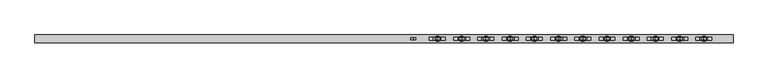
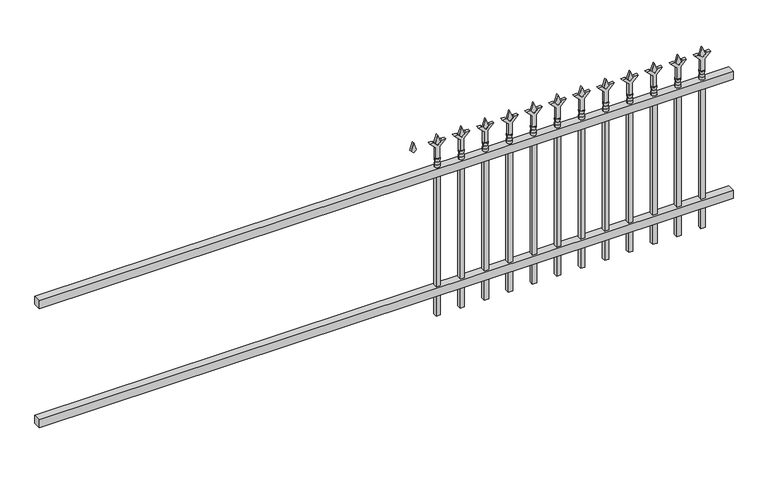
"""IFC4 building model written with IfcOpenShell, lengths in millimetres: railing geometry."""

from ifc_helpers import new_model, si_unit, frame, origin, place, context, project, spatial, polyline, circle_curve, outline, extrude, source, transform, mapped, element, save
from ifc_brep_helpers import plane_surface, cylinder_surface, revolved_surface, advanced_brep


def railing_090c4d48(model_context):
    return source(origin(), model_context, "Body", "SolidModel", [
        extrude(outline(polyline([(-91799.918087, 3004.8804826), (-91799.918087, 3039.8054826), (-88650.318087, 3039.8054826), (-88650.318087, 3004.8804826), (-91799.918087, 3004.8804826)])), frame((0.0, 0.0, 723.9), z_axis=(0.0, 0.0, 1.0), x_axis=(1.0, 0.0, 0.0)), (0.0, 0.0, 1.0), 38.1),
        extrude(outline(polyline([(-91799.918087, 3004.8804826), (-91799.918087, 3039.8054826), (-88650.318087, 3039.8054826), (-88650.318087, 3004.8804826), (-91799.918087, 3004.8804826)])), frame((0.0, 0.0, 152.4), z_axis=(0.0, 0.0, 1.0), x_axis=(1.0, 0.0, 0.0)), (0.0, 0.0, 1.0), 38.1),
        extrude(outline(polyline([(878.68125, -88879.4472536), (914.4, -88891.3535036), (878.68125, -88903.2597536), (866.775, -88891.3535036), (878.68125, -88879.4472536)])), frame((0.0, 3017.5804826, 0.0), z_axis=(0.0, 1.0, 0.0), x_axis=(0.0, 0.0, 1.0)), (0.0, 0.0, 1.0), 9.525),
        extrude(outline(polyline([(803.275, -88882.6222536), (857.5457378, -88882.6222536), (884.7355122, -88855.4324791), (884.7355122, -88873.3929914), (866.775, -88891.3535036), (884.7355122, -88909.3140159), (884.7355122, -88927.2745281), (857.5457378, -88900.0847536), (803.275, -88900.0847536), (803.275, -88882.6222536)])), frame((0.0, 3015.9929826, 0.0), z_axis=(0.0, 1.0, 0.0), x_axis=(0.0, 0.0, 1.0)), (0.0, 0.0, 1.0), 12.7),
        advanced_brep(
        [(-88879.4472536, 3022.3429826, 774.7), (-88903.2597536, 3022.3429826, 774.7), (-88903.2597536, 3022.3429826, 762.0), (-88879.4472536, 3022.3429826, 762.0), (-88881.6525855, 3022.3429826, 787.2070585), (-88901.0544218, 3022.3429826, 787.2070585), (-88879.4472536, 3022.3429826, 803.275), (-88903.2597536, 3022.3429826, 803.275), (-88891.3535036, 3022.3429826, 803.275), (-88891.3535036, 3022.3429826, 762.0)],
        [
            (0, 1, circle_curve(frame((-88891.3535036, 3022.3429826, 774.7), z_axis=(0.0, 0.0, -1.0), x_axis=(-1.0, 0.0, 0.0)), 11.90625)),
            (1, 2),
            (2, 3, circle_curve(frame((-88891.3535036, 3022.3429826, 762.0), z_axis=(0.0, 0.0, 1.0), x_axis=(-1.0, 0.0, 0.0)), 11.90625)),
            (3, 0),
            (1, 0, circle_curve(frame((-88891.3535036, 3022.3429826, 774.7), z_axis=(0.0, 0.0, -1.0), x_axis=(-1.0, 0.0, 0.0)), 11.90625)),
            (3, 2, circle_curve(frame((-88891.3535036, 3022.3429826, 762.0), z_axis=(0.0, 0.0, 1.0), x_axis=(-1.0, 0.0, 0.0)), 11.90625)),
            (4, 5, circle_curve(frame((-88891.3535036, 3022.3429826, 787.2070585), z_axis=(0.0, 0.0, -1.0), x_axis=(-1.0, 0.0, 0.0)), 9.7009181)),
            (5, 1),
            (0, 4),
            (5, 4, circle_curve(frame((-88891.3535036, 3022.3429826, 787.2070585), z_axis=(0.0, 0.0, -1.0), x_axis=(-1.0, 0.0, 0.0)), 9.7009181)),
            (6, 7, circle_curve(frame((-88891.3535036, 3022.3429826, 803.275), z_axis=(0.0, 0.0, -1.0), x_axis=(-1.0, 0.0, 0.0)), 11.90625)),
            (7, 5),
            (4, 6),
            (7, 6, circle_curve(frame((-88891.3535036, 3022.3429826, 803.275), z_axis=(0.0, 0.0, -1.0), x_axis=(-1.0, 0.0, 0.0)), 11.90625)),
            (8, 7),
            (6, 8),
            (2, 9),
            (9, 3),
        ],
        [
            cylinder_surface(frame((-88891.3535036, 3022.3429826, 762.0), z_axis=(0.0, 0.0, 1.0), x_axis=(-1.0, 0.0, 0.0)), 11.90625),
            revolved_surface(polyline([(-88903.2597536, 3022.3429826, 774.7), (-88901.0544218, 3022.3429826, 787.2070585)]), (-88891.3535036, 3022.3429826, 762.0), (0.0, 0.0, 1.0)),
            revolved_surface(polyline([(-88901.0544218, 3022.3429826, 787.2070585), (-88903.2597536, 3022.3429826, 803.275)]), (-88891.3535036, 3022.3429826, 762.0), (0.0, 0.0, 1.0)),
            plane_surface(frame((-88891.3535036, 3022.3429826, 803.275), z_axis=(0.0, 0.0, 1.0), x_axis=(-1.0, 0.0, 0.0))),
            plane_surface(frame((-88891.3535036, 3022.3429826, 762.0), z_axis=(0.0, 0.0, -1.0), x_axis=(-1.0, 0.0, 0.0))),
        ],
        [
            (0, [[1, 2, 3, 4]]),
            (0, [[5, -4, 6, -2]]),
            (1, [[7, 8, -1, 9]]),
            (1, [[10, -9, -5, -8]]),
            (2, [[11, 12, -7, 13]]),
            (2, [[14, -13, -10, -12]]),
            (3, [[15, -11, 16]]),
            (3, [[-16, -14, -15]]),
            (4, [[-3, 17, 18]]),
            (4, [[-6, -18, -17]]),
        ],
    ),
        extrude(outline(polyline([(-88900.8785036, 3031.8679826), (-88881.8285036, 3031.8679826), (-88881.8285036, 3012.8179826), (-88900.8785036, 3012.8179826), (-88900.8785036, 3031.8679826)])), frame((0.0, 0.0, 50.8), z_axis=(0.0, 0.0, 1.0), x_axis=(1.0, 0.0, 0.0)), (0.0, 0.0, 1.0), 711.2),
        extrude(outline(polyline([(878.68125, -88988.7201703), (914.4, -89000.6264203), (878.68125, -89012.5326703), (866.775, -89000.6264203), (878.68125, -88988.7201703)])), frame((0.0, 3017.5804826, 0.0), z_axis=(0.0, 1.0, 0.0), x_axis=(0.0, 0.0, 1.0)), (0.0, 0.0, 1.0), 9.525),
        extrude(outline(polyline([(803.275, -88991.8951703), (857.5457378, -88991.8951703), (884.7355122, -88964.7053958), (884.7355122, -88982.6659081), (866.775, -89000.6264203), (884.7355122, -89018.5869325), (884.7355122, -89036.5474448), (857.5457378, -89009.3576703), (803.275, -89009.3576703), (803.275, -88991.8951703)])), frame((0.0, 3015.9929826, 0.0), z_axis=(0.0, 1.0, 0.0), x_axis=(0.0, 0.0, 1.0)), (0.0, 0.0, 1.0), 12.7),
        advanced_brep(
        [(-88988.7201703, 3022.3429826, 774.7), (-89012.5326703, 3022.3429826, 774.7), (-89012.5326703, 3022.3429826, 762.0), (-88988.7201703, 3022.3429826, 762.0), (-88990.9255022, 3022.3429826, 787.2070585), (-89010.3273384, 3022.3429826, 787.2070585), (-88988.7201703, 3022.3429826, 803.275), (-89012.5326703, 3022.3429826, 803.275), (-89000.6264203, 3022.3429826, 803.275), (-89000.6264203, 3022.3429826, 762.0)],
        [
            (0, 1, circle_curve(frame((-89000.6264203, 3022.3429826, 774.7), z_axis=(0.0, 0.0, -1.0), x_axis=(-1.0, 0.0, 0.0)), 11.90625)),
            (1, 2),
            (2, 3, circle_curve(frame((-89000.6264203, 3022.3429826, 762.0), z_axis=(0.0, 0.0, 1.0), x_axis=(-1.0, 0.0, 0.0)), 11.90625)),
            (3, 0),
            (1, 0, circle_curve(frame((-89000.6264203, 3022.3429826, 774.7), z_axis=(0.0, 0.0, -1.0), x_axis=(-1.0, 0.0, 0.0)), 11.90625)),
            (3, 2, circle_curve(frame((-89000.6264203, 3022.3429826, 762.0), z_axis=(0.0, 0.0, 1.0), x_axis=(-1.0, 0.0, 0.0)), 11.90625)),
            (4, 5, circle_curve(frame((-89000.6264203, 3022.3429826, 787.2070585), z_axis=(0.0, 0.0, -1.0), x_axis=(-1.0, 0.0, 0.0)), 9.7009181)),
            (5, 1),
            (0, 4),
            (5, 4, circle_curve(frame((-89000.6264203, 3022.3429826, 787.2070585), z_axis=(0.0, 0.0, -1.0), x_axis=(-1.0, 0.0, 0.0)), 9.7009181)),
            (6, 7, circle_curve(frame((-89000.6264203, 3022.3429826, 803.275), z_axis=(0.0, 0.0, -1.0), x_axis=(-1.0, 0.0, 0.0)), 11.90625)),
            (7, 5),
            (4, 6),
            (7, 6, circle_curve(frame((-89000.6264203, 3022.3429826, 803.275), z_axis=(0.0, 0.0, -1.0), x_axis=(-1.0, 0.0, 0.0)), 11.90625)),
            (8, 7),
            (6, 8),
            (2, 9),
            (9, 3),
        ],
        [
            cylinder_surface(frame((-89000.6264203, 3022.3429826, 762.0), z_axis=(0.0, 0.0, 1.0), x_axis=(-1.0, 0.0, 0.0)), 11.90625),
            revolved_surface(polyline([(-89012.5326703, 3022.3429826, 774.7), (-89010.3273384, 3022.3429826, 787.2070585)]), (-89000.6264203, 3022.3429826, 762.0), (0.0, 0.0, 1.0)),
            revolved_surface(polyline([(-89010.3273384, 3022.3429826, 787.2070585), (-89012.5326703, 3022.3429826, 803.275)]), (-89000.6264203, 3022.3429826, 762.0), (0.0, 0.0, 1.0)),
            plane_surface(frame((-89000.6264203, 3022.3429826, 803.275), z_axis=(0.0, 0.0, 1.0), x_axis=(-1.0, 0.0, 0.0))),
            plane_surface(frame((-89000.6264203, 3022.3429826, 762.0), z_axis=(0.0, 0.0, -1.0), x_axis=(-1.0, 0.0, 0.0))),
        ],
        [
            (0, [[1, 2, 3, 4]]),
            (0, [[5, -4, 6, -2]]),
            (1, [[7, 8, -1, 9]]),
            (1, [[10, -9, -5, -8]]),
            (2, [[11, 12, -7, 13]]),
            (2, [[14, -13, -10, -12]]),
            (3, [[15, -11, 16]]),
            (3, [[-16, -14, -15]]),
            (4, [[-3, 17, 18]]),
            (4, [[-6, -18, -17]]),
        ],
    ),
        extrude(outline(polyline([(-89010.1514203, 3031.8679826), (-88991.1014203, 3031.8679826), (-88991.1014203, 3012.8179826), (-89010.1514203, 3012.8179826), (-89010.1514203, 3031.8679826)])), frame((0.0, 0.0, 50.8), z_axis=(0.0, 0.0, 1.0), x_axis=(1.0, 0.0, 0.0)), (0.0, 0.0, 1.0), 711.2),
        extrude(outline(polyline([(878.68125, -89097.993087), (914.4, -89109.899337), (878.68125, -89121.805587), (866.775, -89109.899337), (878.68125, -89097.993087)])), frame((0.0, 3017.5804826, 0.0), z_axis=(0.0, 1.0, 0.0), x_axis=(0.0, 0.0, 1.0)), (0.0, 0.0, 1.0), 9.525),
        extrude(outline(polyline([(803.275, -89101.168087), (857.5457378, -89101.168087), (884.7355122, -89073.9783125), (884.7355122, -89091.9388247), (866.775, -89109.899337), (884.7355122, -89127.8598492), (884.7355122, -89145.8203614), (857.5457378, -89118.630587), (803.275, -89118.630587), (803.275, -89101.168087)])), frame((0.0, 3015.9929826, 0.0), z_axis=(0.0, 1.0, 0.0), x_axis=(0.0, 0.0, 1.0)), (0.0, 0.0, 1.0), 12.7),
        advanced_brep(
        [(-89097.993087, 3022.3429826, 774.7), (-89121.805587, 3022.3429826, 774.7), (-89121.805587, 3022.3429826, 762.0), (-89097.993087, 3022.3429826, 762.0), (-89100.1984188, 3022.3429826, 787.2070585), (-89119.6002551, 3022.3429826, 787.2070585), (-89097.993087, 3022.3429826, 803.275), (-89121.805587, 3022.3429826, 803.275), (-89109.899337, 3022.3429826, 803.275), (-89109.899337, 3022.3429826, 762.0)],
        [
            (0, 1, circle_curve(frame((-89109.899337, 3022.3429826, 774.7), z_axis=(0.0, 0.0, -1.0), x_axis=(-1.0, 0.0, 0.0)), 11.90625)),
            (1, 2),
            (2, 3, circle_curve(frame((-89109.899337, 3022.3429826, 762.0), z_axis=(0.0, 0.0, 1.0), x_axis=(-1.0, 0.0, 0.0)), 11.90625)),
            (3, 0),
            (1, 0, circle_curve(frame((-89109.899337, 3022.3429826, 774.7), z_axis=(0.0, 0.0, -1.0), x_axis=(-1.0, 0.0, 0.0)), 11.90625)),
            (3, 2, circle_curve(frame((-89109.899337, 3022.3429826, 762.0), z_axis=(0.0, 0.0, 1.0), x_axis=(-1.0, 0.0, 0.0)), 11.90625)),
            (4, 5, circle_curve(frame((-89109.899337, 3022.3429826, 787.2070585), z_axis=(0.0, 0.0, -1.0), x_axis=(-1.0, 0.0, 0.0)), 9.7009181)),
            (5, 1),
            (0, 4),
            (5, 4, circle_curve(frame((-89109.899337, 3022.3429826, 787.2070585), z_axis=(0.0, 0.0, -1.0), x_axis=(-1.0, 0.0, 0.0)), 9.7009181)),
            (6, 7, circle_curve(frame((-89109.899337, 3022.3429826, 803.275), z_axis=(0.0, 0.0, -1.0), x_axis=(-1.0, 0.0, 0.0)), 11.90625)),
            (7, 5),
            (4, 6),
            (7, 6, circle_curve(frame((-89109.899337, 3022.3429826, 803.275), z_axis=(0.0, 0.0, -1.0), x_axis=(-1.0, 0.0, 0.0)), 11.90625)),
            (8, 7),
            (6, 8),
            (2, 9),
            (9, 3),
        ],
        [
            cylinder_surface(frame((-89109.899337, 3022.3429826, 762.0), z_axis=(0.0, 0.0, 1.0), x_axis=(-1.0, 0.0, 0.0)), 11.90625),
            revolved_surface(polyline([(-89121.805587, 3022.3429826, 774.7), (-89119.6002551, 3022.3429826, 787.2070585)]), (-89109.899337, 3022.3429826, 762.0), (0.0, 0.0, 1.0)),
            revolved_surface(polyline([(-89119.6002551, 3022.3429826, 787.2070585), (-89121.805587, 3022.3429826, 803.275)]), (-89109.899337, 3022.3429826, 762.0), (0.0, 0.0, 1.0)),
            plane_surface(frame((-89109.899337, 3022.3429826, 803.275), z_axis=(0.0, 0.0, 1.0), x_axis=(-1.0, 0.0, 0.0))),
            plane_surface(frame((-89109.899337, 3022.3429826, 762.0), z_axis=(0.0, 0.0, -1.0), x_axis=(-1.0, 0.0, 0.0))),
        ],
        [
            (0, [[1, 2, 3, 4]]),
            (0, [[5, -4, 6, -2]]),
            (1, [[7, 8, -1, 9]]),
            (1, [[10, -9, -5, -8]]),
            (2, [[11, 12, -7, 13]]),
            (2, [[14, -13, -10, -12]]),
            (3, [[15, -11, 16]]),
            (3, [[-16, -14, -15]]),
            (4, [[-3, 17, 18]]),
            (4, [[-6, -18, -17]]),
        ],
    ),
        extrude(outline(polyline([(-89119.424337, 3031.8679826), (-89100.374337, 3031.8679826), (-89100.374337, 3012.8179826), (-89119.424337, 3012.8179826), (-89119.424337, 3031.8679826)])), frame((0.0, 0.0, 50.8), z_axis=(0.0, 0.0, 1.0), x_axis=(1.0, 0.0, 0.0)), (0.0, 0.0, 1.0), 711.2),
        extrude(outline(polyline([(878.68125, -89207.2660036), (914.4, -89219.1722536), (878.68125, -89231.0785036), (866.775, -89219.1722536), (878.68125, -89207.2660036)])), frame((0.0, 3017.5804826, 0.0), z_axis=(0.0, 1.0, 0.0), x_axis=(0.0, 0.0, 1.0)), (0.0, 0.0, 1.0), 9.525),
        extrude(outline(polyline([(803.275, -89210.4410036), (857.5457378, -89210.4410036), (884.7355122, -89183.2512291), (884.7355122, -89201.2117414), (866.775, -89219.1722536), (884.7355122, -89237.1327659), (884.7355122, -89255.0932781), (857.5457378, -89227.9035036), (803.275, -89227.9035036), (803.275, -89210.4410036)])), frame((0.0, 3015.9929826, 0.0), z_axis=(0.0, 1.0, 0.0), x_axis=(0.0, 0.0, 1.0)), (0.0, 0.0, 1.0), 12.7),
        advanced_brep(
        [(-89207.2660036, 3022.3429826, 774.7), (-89231.0785036, 3022.3429826, 774.7), (-89231.0785036, 3022.3429826, 762.0), (-89207.2660036, 3022.3429826, 762.0), (-89209.4713355, 3022.3429826, 787.2070585), (-89228.8731718, 3022.3429826, 787.2070585), (-89207.2660036, 3022.3429826, 803.275), (-89231.0785036, 3022.3429826, 803.275), (-89219.1722536, 3022.3429826, 803.275), (-89219.1722536, 3022.3429826, 762.0)],
        [
            (0, 1, circle_curve(frame((-89219.1722536, 3022.3429826, 774.7), z_axis=(0.0, 0.0, -1.0), x_axis=(-1.0, 0.0, 0.0)), 11.90625)),
            (1, 2),
            (2, 3, circle_curve(frame((-89219.1722536, 3022.3429826, 762.0), z_axis=(0.0, 0.0, 1.0), x_axis=(-1.0, 0.0, 0.0)), 11.90625)),
            (3, 0),
            (1, 0, circle_curve(frame((-89219.1722536, 3022.3429826, 774.7), z_axis=(0.0, 0.0, -1.0), x_axis=(-1.0, 0.0, 0.0)), 11.90625)),
            (3, 2, circle_curve(frame((-89219.1722536, 3022.3429826, 762.0), z_axis=(0.0, 0.0, 1.0), x_axis=(-1.0, 0.0, 0.0)), 11.90625)),
            (4, 5, circle_curve(frame((-89219.1722536, 3022.3429826, 787.2070585), z_axis=(0.0, 0.0, -1.0), x_axis=(-1.0, 0.0, 0.0)), 9.7009181)),
            (5, 1),
            (0, 4),
            (5, 4, circle_curve(frame((-89219.1722536, 3022.3429826, 787.2070585), z_axis=(0.0, 0.0, -1.0), x_axis=(-1.0, 0.0, 0.0)), 9.7009181)),
            (6, 7, circle_curve(frame((-89219.1722536, 3022.3429826, 803.275), z_axis=(0.0, 0.0, -1.0), x_axis=(-1.0, 0.0, 0.0)), 11.90625)),
            (7, 5),
            (4, 6),
            (7, 6, circle_curve(frame((-89219.1722536, 3022.3429826, 803.275), z_axis=(0.0, 0.0, -1.0), x_axis=(-1.0, 0.0, 0.0)), 11.90625)),
            (8, 7),
            (6, 8),
            (2, 9),
            (9, 3),
        ],
        [
            cylinder_surface(frame((-89219.1722536, 3022.3429826, 762.0), z_axis=(0.0, 0.0, 1.0), x_axis=(-1.0, 0.0, 0.0)), 11.90625),
            revolved_surface(polyline([(-89231.0785036, 3022.3429826, 774.7), (-89228.8731718, 3022.3429826, 787.2070585)]), (-89219.1722536, 3022.3429826, 762.0), (0.0, 0.0, 1.0)),
            revolved_surface(polyline([(-89228.8731718, 3022.3429826, 787.2070585), (-89231.0785036, 3022.3429826, 803.275)]), (-89219.1722536, 3022.3429826, 762.0), (0.0, 0.0, 1.0)),
            plane_surface(frame((-89219.1722536, 3022.3429826, 803.275), z_axis=(0.0, 0.0, 1.0), x_axis=(-1.0, 0.0, 0.0))),
            plane_surface(frame((-89219.1722536, 3022.3429826, 762.0), z_axis=(0.0, 0.0, -1.0), x_axis=(-1.0, 0.0, 0.0))),
        ],
        [
            (0, [[1, 2, 3, 4]]),
            (0, [[5, -4, 6, -2]]),
            (1, [[7, 8, -1, 9]]),
            (1, [[10, -9, -5, -8]]),
            (2, [[11, 12, -7, 13]]),
            (2, [[14, -13, -10, -12]]),
            (3, [[15, -11, 16]]),
            (3, [[-16, -14, -15]]),
            (4, [[-3, 17, 18]]),
            (4, [[-6, -18, -17]]),
        ],
    ),
        extrude(outline(polyline([(-89228.6972536, 3031.8679826), (-89209.6472536, 3031.8679826), (-89209.6472536, 3012.8179826), (-89228.6972536, 3012.8179826), (-89228.6972536, 3031.8679826)])), frame((0.0, 0.0, 50.8), z_axis=(0.0, 0.0, 1.0), x_axis=(1.0, 0.0, 0.0)), (0.0, 0.0, 1.0), 711.2),
        extrude(outline(polyline([(878.68125, -89316.5389203), (914.4, -89328.4451703), (878.68125, -89340.3514203), (866.775, -89328.4451703), (878.68125, -89316.5389203)])), frame((0.0, 3017.5804826, 0.0), z_axis=(0.0, 1.0, 0.0), x_axis=(0.0, 0.0, 1.0)), (0.0, 0.0, 1.0), 9.525),
        extrude(outline(polyline([(803.275, -89319.7139203), (857.5457378, -89319.7139203), (884.7355122, -89292.5241458), (884.7355122, -89310.4846581), (866.775, -89328.4451703), (884.7355122, -89346.4056825), (884.7355122, -89364.3661948), (857.5457378, -89337.1764203), (803.275, -89337.1764203), (803.275, -89319.7139203)])), frame((0.0, 3015.9929826, 0.0), z_axis=(0.0, 1.0, 0.0), x_axis=(0.0, 0.0, 1.0)), (0.0, 0.0, 1.0), 12.7),
        advanced_brep(
        [(-89316.5389203, 3022.3429826, 774.7), (-89340.3514203, 3022.3429826, 774.7), (-89340.3514203, 3022.3429826, 762.0), (-89316.5389203, 3022.3429826, 762.0), (-89318.7442522, 3022.3429826, 787.2070585), (-89338.1460884, 3022.3429826, 787.2070585), (-89316.5389203, 3022.3429826, 803.275), (-89340.3514203, 3022.3429826, 803.275), (-89328.4451703, 3022.3429826, 803.275), (-89328.4451703, 3022.3429826, 762.0)],
        [
            (0, 1, circle_curve(frame((-89328.4451703, 3022.3429826, 774.7), z_axis=(0.0, 0.0, -1.0), x_axis=(-1.0, 0.0, 0.0)), 11.90625)),
            (1, 2),
            (2, 3, circle_curve(frame((-89328.4451703, 3022.3429826, 762.0), z_axis=(0.0, 0.0, 1.0), x_axis=(-1.0, 0.0, 0.0)), 11.90625)),
            (3, 0),
            (1, 0, circle_curve(frame((-89328.4451703, 3022.3429826, 774.7), z_axis=(0.0, 0.0, -1.0), x_axis=(-1.0, 0.0, 0.0)), 11.90625)),
            (3, 2, circle_curve(frame((-89328.4451703, 3022.3429826, 762.0), z_axis=(0.0, 0.0, 1.0), x_axis=(-1.0, 0.0, 0.0)), 11.90625)),
            (4, 5, circle_curve(frame((-89328.4451703, 3022.3429826, 787.2070585), z_axis=(0.0, 0.0, -1.0), x_axis=(-1.0, 0.0, 0.0)), 9.7009181)),
            (5, 1),
            (0, 4),
            (5, 4, circle_curve(frame((-89328.4451703, 3022.3429826, 787.2070585), z_axis=(0.0, 0.0, -1.0), x_axis=(-1.0, 0.0, 0.0)), 9.7009181)),
            (6, 7, circle_curve(frame((-89328.4451703, 3022.3429826, 803.275), z_axis=(0.0, 0.0, -1.0), x_axis=(-1.0, 0.0, 0.0)), 11.90625)),
            (7, 5),
            (4, 6),
            (7, 6, circle_curve(frame((-89328.4451703, 3022.3429826, 803.275), z_axis=(0.0, 0.0, -1.0), x_axis=(-1.0, 0.0, 0.0)), 11.90625)),
            (8, 7),
            (6, 8),
            (2, 9),
            (9, 3),
        ],
        [
            cylinder_surface(frame((-89328.4451703, 3022.3429826, 762.0), z_axis=(0.0, 0.0, 1.0), x_axis=(-1.0, 0.0, 0.0)), 11.90625),
            revolved_surface(polyline([(-89340.3514203, 3022.3429826, 774.7), (-89338.1460884, 3022.3429826, 787.2070585)]), (-89328.4451703, 3022.3429826, 762.0), (0.0, 0.0, 1.0)),
            revolved_surface(polyline([(-89338.1460884, 3022.3429826, 787.2070585), (-89340.3514203, 3022.3429826, 803.275)]), (-89328.4451703, 3022.3429826, 762.0), (0.0, 0.0, 1.0)),
            plane_surface(frame((-89328.4451703, 3022.3429826, 803.275), z_axis=(0.0, 0.0, 1.0), x_axis=(-1.0, 0.0, 0.0))),
            plane_surface(frame((-89328.4451703, 3022.3429826, 762.0), z_axis=(0.0, 0.0, -1.0), x_axis=(-1.0, 0.0, 0.0))),
        ],
        [
            (0, [[1, 2, 3, 4]]),
            (0, [[5, -4, 6, -2]]),
            (1, [[7, 8, -1, 9]]),
            (1, [[10, -9, -5, -8]]),
            (2, [[11, 12, -7, 13]]),
            (2, [[14, -13, -10, -12]]),
            (3, [[15, -11, 16]]),
            (3, [[-16, -14, -15]]),
            (4, [[-3, 17, 18]]),
            (4, [[-6, -18, -17]]),
        ],
    ),
        extrude(outline(polyline([(-89337.9701703, 3031.8679826), (-89318.9201703, 3031.8679826), (-89318.9201703, 3012.8179826), (-89337.9701703, 3012.8179826), (-89337.9701703, 3031.8679826)])), frame((0.0, 0.0, 50.8), z_axis=(0.0, 0.0, 1.0), x_axis=(1.0, 0.0, 0.0)), (0.0, 0.0, 1.0), 711.2),
        extrude(outline(polyline([(878.68125, -89425.811837), (914.4, -89437.718087), (878.68125, -89449.624337), (866.775, -89437.718087), (878.68125, -89425.811837)])), frame((0.0, 3017.5804826, 0.0), z_axis=(0.0, 1.0, 0.0), x_axis=(0.0, 0.0, 1.0)), (0.0, 0.0, 1.0), 9.525),
        extrude(outline(polyline([(803.275, -89428.986837), (857.5457378, -89428.986837), (884.7355122, -89401.7970625), (884.7355122, -89419.7575747), (866.775, -89437.718087), (884.7355122, -89455.6785992), (884.7355122, -89473.6391114), (857.5457378, -89446.449337), (803.275, -89446.449337), (803.275, -89428.986837)])), frame((0.0, 3015.9929826, 0.0), z_axis=(0.0, 1.0, 0.0), x_axis=(0.0, 0.0, 1.0)), (0.0, 0.0, 1.0), 12.7),
        advanced_brep(
        [(-89425.811837, 3022.3429826, 774.7), (-89449.624337, 3022.3429826, 774.7), (-89449.624337, 3022.3429826, 762.0), (-89425.811837, 3022.3429826, 762.0), (-89428.0171688, 3022.3429826, 787.2070585), (-89447.4190051, 3022.3429826, 787.2070585), (-89425.811837, 3022.3429826, 803.275), (-89449.624337, 3022.3429826, 803.275), (-89437.718087, 3022.3429826, 803.275), (-89437.718087, 3022.3429826, 762.0)],
        [
            (0, 1, circle_curve(frame((-89437.718087, 3022.3429826, 774.7), z_axis=(0.0, 0.0, -1.0), x_axis=(-1.0, 0.0, 0.0)), 11.90625)),
            (1, 2),
            (2, 3, circle_curve(frame((-89437.718087, 3022.3429826, 762.0), z_axis=(0.0, 0.0, 1.0), x_axis=(-1.0, 0.0, 0.0)), 11.90625)),
            (3, 0),
            (1, 0, circle_curve(frame((-89437.718087, 3022.3429826, 774.7), z_axis=(0.0, 0.0, -1.0), x_axis=(-1.0, 0.0, 0.0)), 11.90625)),
            (3, 2, circle_curve(frame((-89437.718087, 3022.3429826, 762.0), z_axis=(0.0, 0.0, 1.0), x_axis=(-1.0, 0.0, 0.0)), 11.90625)),
            (4, 5, circle_curve(frame((-89437.718087, 3022.3429826, 787.2070585), z_axis=(0.0, 0.0, -1.0), x_axis=(-1.0, 0.0, 0.0)), 9.7009181)),
            (5, 1),
            (0, 4),
            (5, 4, circle_curve(frame((-89437.718087, 3022.3429826, 787.2070585), z_axis=(0.0, 0.0, -1.0), x_axis=(-1.0, 0.0, 0.0)), 9.7009181)),
            (6, 7, circle_curve(frame((-89437.718087, 3022.3429826, 803.275), z_axis=(0.0, 0.0, -1.0), x_axis=(-1.0, 0.0, 0.0)), 11.90625)),
            (7, 5),
            (4, 6),
            (7, 6, circle_curve(frame((-89437.718087, 3022.3429826, 803.275), z_axis=(0.0, 0.0, -1.0), x_axis=(-1.0, 0.0, 0.0)), 11.90625)),
            (8, 7),
            (6, 8),
            (2, 9),
            (9, 3),
        ],
        [
            cylinder_surface(frame((-89437.718087, 3022.3429826, 762.0), z_axis=(0.0, 0.0, 1.0), x_axis=(-1.0, 0.0, 0.0)), 11.90625),
            revolved_surface(polyline([(-89449.624337, 3022.3429826, 774.7), (-89447.4190051, 3022.3429826, 787.2070585)]), (-89437.718087, 3022.3429826, 762.0), (0.0, 0.0, 1.0)),
            revolved_surface(polyline([(-89447.4190051, 3022.3429826, 787.2070585), (-89449.624337, 3022.3429826, 803.275)]), (-89437.718087, 3022.3429826, 762.0), (0.0, 0.0, 1.0)),
            plane_surface(frame((-89437.718087, 3022.3429826, 803.275), z_axis=(0.0, 0.0, 1.0), x_axis=(-1.0, 0.0, 0.0))),
            plane_surface(frame((-89437.718087, 3022.3429826, 762.0), z_axis=(0.0, 0.0, -1.0), x_axis=(-1.0, 0.0, 0.0))),
        ],
        [
            (0, [[1, 2, 3, 4]]),
            (0, [[5, -4, 6, -2]]),
            (1, [[7, 8, -1, 9]]),
            (1, [[10, -9, -5, -8]]),
            (2, [[11, 12, -7, 13]]),
            (2, [[14, -13, -10, -12]]),
            (3, [[15, -11, 16]]),
            (3, [[-16, -14, -15]]),
            (4, [[-3, 17, 18]]),
            (4, [[-6, -18, -17]]),
        ],
    ),
        extrude(outline(polyline([(-89447.243087, 3031.8679826), (-89428.193087, 3031.8679826), (-89428.193087, 3012.8179826), (-89447.243087, 3012.8179826), (-89447.243087, 3031.8679826)])), frame((0.0, 0.0, 50.8), z_axis=(0.0, 0.0, 1.0), x_axis=(1.0, 0.0, 0.0)), (0.0, 0.0, 1.0), 711.2),
        extrude(outline(polyline([(878.68125, -89535.0847536), (914.4, -89546.9910036), (878.68125, -89558.8972536), (866.775, -89546.9910036), (878.68125, -89535.0847536)])), frame((0.0, 3017.5804826, 0.0), z_axis=(0.0, 1.0, 0.0), x_axis=(0.0, 0.0, 1.0)), (0.0, 0.0, 1.0), 9.525),
        extrude(outline(polyline([(803.275, -89538.2597536), (857.5457378, -89538.2597536), (884.7355122, -89511.0699791), (884.7355122, -89529.0304914), (866.775, -89546.9910036), (884.7355122, -89564.9515159), (884.7355122, -89582.9120281), (857.5457378, -89555.7222536), (803.275, -89555.7222536), (803.275, -89538.2597536)])), frame((0.0, 3015.9929826, 0.0), z_axis=(0.0, 1.0, 0.0), x_axis=(0.0, 0.0, 1.0)), (0.0, 0.0, 1.0), 12.7),
        advanced_brep(
        [(-89535.0847536, 3022.3429826, 774.7), (-89558.8972536, 3022.3429826, 774.7), (-89558.8972536, 3022.3429826, 762.0), (-89535.0847536, 3022.3429826, 762.0), (-89537.2900855, 3022.3429826, 787.2070585), (-89556.6919218, 3022.3429826, 787.2070585), (-89535.0847536, 3022.3429826, 803.275), (-89558.8972536, 3022.3429826, 803.275), (-89546.9910036, 3022.3429826, 803.275), (-89546.9910036, 3022.3429826, 762.0)],
        [
            (0, 1, circle_curve(frame((-89546.9910036, 3022.3429826, 774.7), z_axis=(0.0, 0.0, -1.0), x_axis=(-1.0, 0.0, 0.0)), 11.90625)),
            (1, 2),
            (2, 3, circle_curve(frame((-89546.9910036, 3022.3429826, 762.0), z_axis=(0.0, 0.0, 1.0), x_axis=(-1.0, 0.0, 0.0)), 11.90625)),
            (3, 0),
            (1, 0, circle_curve(frame((-89546.9910036, 3022.3429826, 774.7), z_axis=(0.0, 0.0, -1.0), x_axis=(-1.0, 0.0, 0.0)), 11.90625)),
            (3, 2, circle_curve(frame((-89546.9910036, 3022.3429826, 762.0), z_axis=(0.0, 0.0, 1.0), x_axis=(-1.0, 0.0, 0.0)), 11.90625)),
            (4, 5, circle_curve(frame((-89546.9910036, 3022.3429826, 787.2070585), z_axis=(0.0, 0.0, -1.0), x_axis=(-1.0, 0.0, 0.0)), 9.7009181)),
            (5, 1),
            (0, 4),
            (5, 4, circle_curve(frame((-89546.9910036, 3022.3429826, 787.2070585), z_axis=(0.0, 0.0, -1.0), x_axis=(-1.0, 0.0, 0.0)), 9.7009181)),
            (6, 7, circle_curve(frame((-89546.9910036, 3022.3429826, 803.275), z_axis=(0.0, 0.0, -1.0), x_axis=(-1.0, 0.0, 0.0)), 11.90625)),
            (7, 5),
            (4, 6),
            (7, 6, circle_curve(frame((-89546.9910036, 3022.3429826, 803.275), z_axis=(0.0, 0.0, -1.0), x_axis=(-1.0, 0.0, 0.0)), 11.90625)),
            (8, 7),
            (6, 8),
            (2, 9),
            (9, 3),
        ],
        [
            cylinder_surface(frame((-89546.9910036, 3022.3429826, 762.0), z_axis=(0.0, 0.0, 1.0), x_axis=(-1.0, 0.0, 0.0)), 11.90625),
            revolved_surface(polyline([(-89558.8972536, 3022.3429826, 774.7), (-89556.6919218, 3022.3429826, 787.2070585)]), (-89546.9910036, 3022.3429826, 762.0), (0.0, 0.0, 1.0)),
            revolved_surface(polyline([(-89556.6919218, 3022.3429826, 787.2070585), (-89558.8972536, 3022.3429826, 803.275)]), (-89546.9910036, 3022.3429826, 762.0), (0.0, 0.0, 1.0)),
            plane_surface(frame((-89546.9910036, 3022.3429826, 803.275), z_axis=(0.0, 0.0, 1.0), x_axis=(-1.0, 0.0, 0.0))),
            plane_surface(frame((-89546.9910036, 3022.3429826, 762.0), z_axis=(0.0, 0.0, -1.0), x_axis=(-1.0, 0.0, 0.0))),
        ],
        [
            (0, [[1, 2, 3, 4]]),
            (0, [[5, -4, 6, -2]]),
            (1, [[7, 8, -1, 9]]),
            (1, [[10, -9, -5, -8]]),
            (2, [[11, 12, -7, 13]]),
            (2, [[14, -13, -10, -12]]),
            (3, [[15, -11, 16]]),
            (3, [[-16, -14, -15]]),
            (4, [[-3, 17, 18]]),
            (4, [[-6, -18, -17]]),
        ],
    ),
        extrude(outline(polyline([(-89556.5160036, 3031.8679826), (-89537.4660036, 3031.8679826), (-89537.4660036, 3012.8179826), (-89556.5160036, 3012.8179826), (-89556.5160036, 3031.8679826)])), frame((0.0, 0.0, 50.8), z_axis=(0.0, 0.0, 1.0), x_axis=(1.0, 0.0, 0.0)), (0.0, 0.0, 1.0), 711.2),
        extrude(outline(polyline([(878.68125, -89644.3576703), (914.4, -89656.2639203), (878.68125, -89668.1701703), (866.775, -89656.2639203), (878.68125, -89644.3576703)])), frame((0.0, 3017.5804826, 0.0), z_axis=(0.0, 1.0, 0.0), x_axis=(0.0, 0.0, 1.0)), (0.0, 0.0, 1.0), 9.525),
        extrude(outline(polyline([(803.275, -89647.5326703), (857.5457378, -89647.5326703), (884.7355122, -89620.3428958), (884.7355122, -89638.3034081), (866.775, -89656.2639203), (884.7355122, -89674.2244325), (884.7355122, -89692.1849448), (857.5457378, -89664.9951703), (803.275, -89664.9951703), (803.275, -89647.5326703)])), frame((0.0, 3015.9929826, 0.0), z_axis=(0.0, 1.0, 0.0), x_axis=(0.0, 0.0, 1.0)), (0.0, 0.0, 1.0), 12.7),
        advanced_brep(
        [(-89644.3576703, 3022.3429826, 774.7), (-89668.1701703, 3022.3429826, 774.7), (-89668.1701703, 3022.3429826, 762.0), (-89644.3576703, 3022.3429826, 762.0), (-89646.5630022, 3022.3429826, 787.2070585), (-89665.9648384, 3022.3429826, 787.2070585), (-89644.3576703, 3022.3429826, 803.275), (-89668.1701703, 3022.3429826, 803.275), (-89656.2639203, 3022.3429826, 803.275), (-89656.2639203, 3022.3429826, 762.0)],
        [
            (0, 1, circle_curve(frame((-89656.2639203, 3022.3429826, 774.7), z_axis=(0.0, 0.0, -1.0), x_axis=(-1.0, 0.0, 0.0)), 11.90625)),
            (1, 2),
            (2, 3, circle_curve(frame((-89656.2639203, 3022.3429826, 762.0), z_axis=(0.0, 0.0, 1.0), x_axis=(-1.0, 0.0, 0.0)), 11.90625)),
            (3, 0),
            (1, 0, circle_curve(frame((-89656.2639203, 3022.3429826, 774.7), z_axis=(0.0, 0.0, -1.0), x_axis=(-1.0, 0.0, 0.0)), 11.90625)),
            (3, 2, circle_curve(frame((-89656.2639203, 3022.3429826, 762.0), z_axis=(0.0, 0.0, 1.0), x_axis=(-1.0, 0.0, 0.0)), 11.90625)),
            (4, 5, circle_curve(frame((-89656.2639203, 3022.3429826, 787.2070585), z_axis=(0.0, 0.0, -1.0), x_axis=(-1.0, 0.0, 0.0)), 9.7009181)),
            (5, 1),
            (0, 4),
            (5, 4, circle_curve(frame((-89656.2639203, 3022.3429826, 787.2070585), z_axis=(0.0, 0.0, -1.0), x_axis=(-1.0, 0.0, 0.0)), 9.7009181)),
            (6, 7, circle_curve(frame((-89656.2639203, 3022.3429826, 803.275), z_axis=(0.0, 0.0, -1.0), x_axis=(-1.0, 0.0, 0.0)), 11.90625)),
            (7, 5),
            (4, 6),
            (7, 6, circle_curve(frame((-89656.2639203, 3022.3429826, 803.275), z_axis=(0.0, 0.0, -1.0), x_axis=(-1.0, 0.0, 0.0)), 11.90625)),
            (8, 7),
            (6, 8),
            (2, 9),
            (9, 3),
        ],
        [
            cylinder_surface(frame((-89656.2639203, 3022.3429826, 762.0), z_axis=(0.0, 0.0, 1.0), x_axis=(-1.0, 0.0, 0.0)), 11.90625),
            revolved_surface(polyline([(-89668.1701703, 3022.3429826, 774.7), (-89665.9648384, 3022.3429826, 787.2070585)]), (-89656.2639203, 3022.3429826, 762.0), (0.0, 0.0, 1.0)),
            revolved_surface(polyline([(-89665.9648384, 3022.3429826, 787.2070585), (-89668.1701703, 3022.3429826, 803.275)]), (-89656.2639203, 3022.3429826, 762.0), (0.0, 0.0, 1.0)),
            plane_surface(frame((-89656.2639203, 3022.3429826, 803.275), z_axis=(0.0, 0.0, 1.0), x_axis=(-1.0, 0.0, 0.0))),
            plane_surface(frame((-89656.2639203, 3022.3429826, 762.0), z_axis=(0.0, 0.0, -1.0), x_axis=(-1.0, 0.0, 0.0))),
        ],
        [
            (0, [[1, 2, 3, 4]]),
            (0, [[5, -4, 6, -2]]),
            (1, [[7, 8, -1, 9]]),
            (1, [[10, -9, -5, -8]]),
            (2, [[11, 12, -7, 13]]),
            (2, [[14, -13, -10, -12]]),
            (3, [[15, -11, 16]]),
            (3, [[-16, -14, -15]]),
            (4, [[-3, 17, 18]]),
            (4, [[-6, -18, -17]]),
        ],
    ),
        extrude(outline(polyline([(-89665.7889203, 3031.8679826), (-89646.7389203, 3031.8679826), (-89646.7389203, 3012.8179826), (-89665.7889203, 3012.8179826), (-89665.7889203, 3031.8679826)])), frame((0.0, 0.0, 50.8), z_axis=(0.0, 0.0, 1.0), x_axis=(1.0, 0.0, 0.0)), (0.0, 0.0, 1.0), 711.2),
        extrude(outline(polyline([(878.68125, -89753.630587), (914.4, -89765.536837), (878.68125, -89777.443087), (866.775, -89765.536837), (878.68125, -89753.630587)])), frame((0.0, 3017.5804826, 0.0), z_axis=(0.0, 1.0, 0.0), x_axis=(0.0, 0.0, 1.0)), (0.0, 0.0, 1.0), 9.525),
        extrude(outline(polyline([(803.275, -89756.805587), (857.5457378, -89756.805587), (884.7355122, -89729.6158125), (884.7355122, -89747.5763247), (866.775, -89765.536837), (884.7355122, -89783.4973492), (884.7355122, -89801.4578614), (857.5457378, -89774.268087), (803.275, -89774.268087), (803.275, -89756.805587)])), frame((0.0, 3015.9929826, 0.0), z_axis=(0.0, 1.0, 0.0), x_axis=(0.0, 0.0, 1.0)), (0.0, 0.0, 1.0), 12.7),
        advanced_brep(
        [(-89753.630587, 3022.3429826, 774.7), (-89777.443087, 3022.3429826, 774.7), (-89777.443087, 3022.3429826, 762.0), (-89753.630587, 3022.3429826, 762.0), (-89755.8359188, 3022.3429826, 787.2070585), (-89775.2377551, 3022.3429826, 787.2070585), (-89753.630587, 3022.3429826, 803.275), (-89777.443087, 3022.3429826, 803.275), (-89765.536837, 3022.3429826, 803.275), (-89765.536837, 3022.3429826, 762.0)],
        [
            (0, 1, circle_curve(frame((-89765.536837, 3022.3429826, 774.7), z_axis=(0.0, 0.0, -1.0), x_axis=(-1.0, 0.0, 0.0)), 11.90625)),
            (1, 2),
            (2, 3, circle_curve(frame((-89765.536837, 3022.3429826, 762.0), z_axis=(0.0, 0.0, 1.0), x_axis=(-1.0, 0.0, 0.0)), 11.90625)),
            (3, 0),
            (1, 0, circle_curve(frame((-89765.536837, 3022.3429826, 774.7), z_axis=(0.0, 0.0, -1.0), x_axis=(-1.0, 0.0, 0.0)), 11.90625)),
            (3, 2, circle_curve(frame((-89765.536837, 3022.3429826, 762.0), z_axis=(0.0, 0.0, 1.0), x_axis=(-1.0, 0.0, 0.0)), 11.90625)),
            (4, 5, circle_curve(frame((-89765.536837, 3022.3429826, 787.2070585), z_axis=(0.0, 0.0, -1.0), x_axis=(-1.0, 0.0, 0.0)), 9.7009181)),
            (5, 1),
            (0, 4),
            (5, 4, circle_curve(frame((-89765.536837, 3022.3429826, 787.2070585), z_axis=(0.0, 0.0, -1.0), x_axis=(-1.0, 0.0, 0.0)), 9.7009181)),
            (6, 7, circle_curve(frame((-89765.536837, 3022.3429826, 803.275), z_axis=(0.0, 0.0, -1.0), x_axis=(-1.0, 0.0, 0.0)), 11.90625)),
            (7, 5),
            (4, 6),
            (7, 6, circle_curve(frame((-89765.536837, 3022.3429826, 803.275), z_axis=(0.0, 0.0, -1.0), x_axis=(-1.0, 0.0, 0.0)), 11.90625)),
            (8, 7),
            (6, 8),
            (2, 9),
            (9, 3),
        ],
        [
            cylinder_surface(frame((-89765.536837, 3022.3429826, 762.0), z_axis=(0.0, 0.0, 1.0), x_axis=(-1.0, 0.0, 0.0)), 11.90625),
            revolved_surface(polyline([(-89777.443087, 3022.3429826, 774.7), (-89775.2377551, 3022.3429826, 787.2070585)]), (-89765.536837, 3022.3429826, 762.0), (0.0, 0.0, 1.0)),
            revolved_surface(polyline([(-89775.2377551, 3022.3429826, 787.2070585), (-89777.443087, 3022.3429826, 803.275)]), (-89765.536837, 3022.3429826, 762.0), (0.0, 0.0, 1.0)),
            plane_surface(frame((-89765.536837, 3022.3429826, 803.275), z_axis=(0.0, 0.0, 1.0), x_axis=(-1.0, 0.0, 0.0))),
            plane_surface(frame((-89765.536837, 3022.3429826, 762.0), z_axis=(0.0, 0.0, -1.0), x_axis=(-1.0, 0.0, 0.0))),
        ],
        [
            (0, [[1, 2, 3, 4]]),
            (0, [[5, -4, 6, -2]]),
            (1, [[7, 8, -1, 9]]),
            (1, [[10, -9, -5, -8]]),
            (2, [[11, 12, -7, 13]]),
            (2, [[14, -13, -10, -12]]),
            (3, [[15, -11, 16]]),
            (3, [[-16, -14, -15]]),
            (4, [[-3, 17, 18]]),
            (4, [[-6, -18, -17]]),
        ],
    ),
        extrude(outline(polyline([(-89775.061837, 3031.8679826), (-89756.011837, 3031.8679826), (-89756.011837, 3012.8179826), (-89775.061837, 3012.8179826), (-89775.061837, 3031.8679826)])), frame((0.0, 0.0, 50.8), z_axis=(0.0, 0.0, 1.0), x_axis=(1.0, 0.0, 0.0)), (0.0, 0.0, 1.0), 711.2),
        extrude(outline(polyline([(878.68125, -89862.9035036), (914.4, -89874.8097536), (878.68125, -89886.7160036), (866.775, -89874.8097536), (878.68125, -89862.9035036)])), frame((0.0, 3017.5804826, 0.0), z_axis=(0.0, 1.0, 0.0), x_axis=(0.0, 0.0, 1.0)), (0.0, 0.0, 1.0), 9.525),
        extrude(outline(polyline([(803.275, -89866.0785036), (857.5457378, -89866.0785036), (884.7355122, -89838.8887291), (884.7355122, -89856.8492414), (866.775, -89874.8097536), (884.7355122, -89892.7702659), (884.7355122, -89910.7307781), (857.5457378, -89883.5410036), (803.275, -89883.5410036), (803.275, -89866.0785036)])), frame((0.0, 3015.9929826, 0.0), z_axis=(0.0, 1.0, 0.0), x_axis=(0.0, 0.0, 1.0)), (0.0, 0.0, 1.0), 12.7),
        advanced_brep(
        [(-89862.9035036, 3022.3429826, 774.7), (-89886.7160036, 3022.3429826, 774.7), (-89886.7160036, 3022.3429826, 762.0), (-89862.9035036, 3022.3429826, 762.0), (-89865.1088355, 3022.3429826, 787.2070585), (-89884.5106718, 3022.3429826, 787.2070585), (-89862.9035036, 3022.3429826, 803.275), (-89886.7160036, 3022.3429826, 803.275), (-89874.8097536, 3022.3429826, 803.275), (-89874.8097536, 3022.3429826, 762.0)],
        [
            (0, 1, circle_curve(frame((-89874.8097536, 3022.3429826, 774.7), z_axis=(0.0, 0.0, -1.0), x_axis=(-1.0, 0.0, 0.0)), 11.90625)),
            (1, 2),
            (2, 3, circle_curve(frame((-89874.8097536, 3022.3429826, 762.0), z_axis=(0.0, 0.0, 1.0), x_axis=(-1.0, 0.0, 0.0)), 11.90625)),
            (3, 0),
            (1, 0, circle_curve(frame((-89874.8097536, 3022.3429826, 774.7), z_axis=(0.0, 0.0, -1.0), x_axis=(-1.0, 0.0, 0.0)), 11.90625)),
            (3, 2, circle_curve(frame((-89874.8097536, 3022.3429826, 762.0), z_axis=(0.0, 0.0, 1.0), x_axis=(-1.0, 0.0, 0.0)), 11.90625)),
            (4, 5, circle_curve(frame((-89874.8097536, 3022.3429826, 787.2070585), z_axis=(0.0, 0.0, -1.0), x_axis=(-1.0, 0.0, 0.0)), 9.7009181)),
            (5, 1),
            (0, 4),
            (5, 4, circle_curve(frame((-89874.8097536, 3022.3429826, 787.2070585), z_axis=(0.0, 0.0, -1.0), x_axis=(-1.0, 0.0, 0.0)), 9.7009181)),
            (6, 7, circle_curve(frame((-89874.8097536, 3022.3429826, 803.275), z_axis=(0.0, 0.0, -1.0), x_axis=(-1.0, 0.0, 0.0)), 11.90625)),
            (7, 5),
            (4, 6),
            (7, 6, circle_curve(frame((-89874.8097536, 3022.3429826, 803.275), z_axis=(0.0, 0.0, -1.0), x_axis=(-1.0, 0.0, 0.0)), 11.90625)),
            (8, 7),
            (6, 8),
            (2, 9),
            (9, 3),
        ],
        [
            cylinder_surface(frame((-89874.8097536, 3022.3429826, 762.0), z_axis=(0.0, 0.0, 1.0), x_axis=(-1.0, 0.0, 0.0)), 11.90625),
            revolved_surface(polyline([(-89886.7160036, 3022.3429826, 774.7), (-89884.5106718, 3022.3429826, 787.2070585)]), (-89874.8097536, 3022.3429826, 762.0), (0.0, 0.0, 1.0)),
            revolved_surface(polyline([(-89884.5106718, 3022.3429826, 787.2070585), (-89886.7160036, 3022.3429826, 803.275)]), (-89874.8097536, 3022.3429826, 762.0), (0.0, 0.0, 1.0)),
            plane_surface(frame((-89874.8097536, 3022.3429826, 803.275), z_axis=(0.0, 0.0, 1.0), x_axis=(-1.0, 0.0, 0.0))),
            plane_surface(frame((-89874.8097536, 3022.3429826, 762.0), z_axis=(0.0, 0.0, -1.0), x_axis=(-1.0, 0.0, 0.0))),
        ],
        [
            (0, [[1, 2, 3, 4]]),
            (0, [[5, -4, 6, -2]]),
            (1, [[7, 8, -1, 9]]),
            (1, [[10, -9, -5, -8]]),
            (2, [[11, 12, -7, 13]]),
            (2, [[14, -13, -10, -12]]),
            (3, [[15, -11, 16]]),
            (3, [[-16, -14, -15]]),
            (4, [[-3, 17, 18]]),
            (4, [[-6, -18, -17]]),
        ],
    ),
        extrude(outline(polyline([(-89884.3347536, 3031.8679826), (-89865.2847536, 3031.8679826), (-89865.2847536, 3012.8179826), (-89884.3347536, 3012.8179826), (-89884.3347536, 3031.8679826)])), frame((0.0, 0.0, 50.8), z_axis=(0.0, 0.0, 1.0), x_axis=(1.0, 0.0, 0.0)), (0.0, 0.0, 1.0), 711.2),
        extrude(outline(polyline([(878.68125, -89972.1764203), (914.4, -89984.0826703), (878.68125, -89995.9889203), (866.775, -89984.0826703), (878.68125, -89972.1764203)])), frame((0.0, 3017.5804826, 0.0), z_axis=(0.0, 1.0, 0.0), x_axis=(0.0, 0.0, 1.0)), (0.0, 0.0, 1.0), 9.525),
        extrude(outline(polyline([(803.275, -89975.3514203), (857.5457378, -89975.3514203), (884.7355122, -89948.1616458), (884.7355122, -89966.1221581), (866.775, -89984.0826703), (884.7355122, -90002.0431825), (884.7355122, -90020.0036948), (857.5457378, -89992.8139203), (803.275, -89992.8139203), (803.275, -89975.3514203)])), frame((0.0, 3015.9929826, 0.0), z_axis=(0.0, 1.0, 0.0), x_axis=(0.0, 0.0, 1.0)), (0.0, 0.0, 1.0), 12.7),
        advanced_brep(
        [(-89972.1764203, 3022.3429826, 774.7), (-89995.9889203, 3022.3429826, 774.7), (-89995.9889203, 3022.3429826, 762.0), (-89972.1764203, 3022.3429826, 762.0), (-89974.3817522, 3022.3429826, 787.2070585), (-89993.7835884, 3022.3429826, 787.2070585), (-89972.1764203, 3022.3429826, 803.275), (-89995.9889203, 3022.3429826, 803.275), (-89984.0826703, 3022.3429826, 803.275), (-89984.0826703, 3022.3429826, 762.0)],
        [
            (0, 1, circle_curve(frame((-89984.0826703, 3022.3429826, 774.7), z_axis=(0.0, 0.0, -1.0), x_axis=(-1.0, 0.0, 0.0)), 11.90625)),
            (1, 2),
            (2, 3, circle_curve(frame((-89984.0826703, 3022.3429826, 762.0), z_axis=(0.0, 0.0, 1.0), x_axis=(-1.0, 0.0, 0.0)), 11.90625)),
            (3, 0),
            (1, 0, circle_curve(frame((-89984.0826703, 3022.3429826, 774.7), z_axis=(0.0, 0.0, -1.0), x_axis=(-1.0, 0.0, 0.0)), 11.90625)),
            (3, 2, circle_curve(frame((-89984.0826703, 3022.3429826, 762.0), z_axis=(0.0, 0.0, 1.0), x_axis=(-1.0, 0.0, 0.0)), 11.90625)),
            (4, 5, circle_curve(frame((-89984.0826703, 3022.3429826, 787.2070585), z_axis=(0.0, 0.0, -1.0), x_axis=(-1.0, 0.0, 0.0)), 9.7009181)),
            (5, 1),
            (0, 4),
            (5, 4, circle_curve(frame((-89984.0826703, 3022.3429826, 787.2070585), z_axis=(0.0, 0.0, -1.0), x_axis=(-1.0, 0.0, 0.0)), 9.7009181)),
            (6, 7, circle_curve(frame((-89984.0826703, 3022.3429826, 803.275), z_axis=(0.0, 0.0, -1.0), x_axis=(-1.0, 0.0, 0.0)), 11.90625)),
            (7, 5),
            (4, 6),
            (7, 6, circle_curve(frame((-89984.0826703, 3022.3429826, 803.275), z_axis=(0.0, 0.0, -1.0), x_axis=(-1.0, 0.0, 0.0)), 11.90625)),
            (8, 7),
            (6, 8),
            (2, 9),
            (9, 3),
        ],
        [
            cylinder_surface(frame((-89984.0826703, 3022.3429826, 762.0), z_axis=(0.0, 0.0, 1.0), x_axis=(-1.0, 0.0, 0.0)), 11.90625),
            revolved_surface(polyline([(-89995.9889203, 3022.3429826, 774.7), (-89993.7835884, 3022.3429826, 787.2070585)]), (-89984.0826703, 3022.3429826, 762.0), (0.0, 0.0, 1.0)),
            revolved_surface(polyline([(-89993.7835884, 3022.3429826, 787.2070585), (-89995.9889203, 3022.3429826, 803.275)]), (-89984.0826703, 3022.3429826, 762.0), (0.0, 0.0, 1.0)),
            plane_surface(frame((-89984.0826703, 3022.3429826, 803.275), z_axis=(0.0, 0.0, 1.0), x_axis=(-1.0, 0.0, 0.0))),
            plane_surface(frame((-89984.0826703, 3022.3429826, 762.0), z_axis=(0.0, 0.0, -1.0), x_axis=(-1.0, 0.0, 0.0))),
        ],
        [
            (0, [[1, 2, 3, 4]]),
            (0, [[5, -4, 6, -2]]),
            (1, [[7, 8, -1, 9]]),
            (1, [[10, -9, -5, -8]]),
            (2, [[11, 12, -7, 13]]),
            (2, [[14, -13, -10, -12]]),
            (3, [[15, -11, 16]]),
            (3, [[-16, -14, -15]]),
            (4, [[-3, 17, 18]]),
            (4, [[-6, -18, -17]]),
        ],
    ),
        extrude(outline(polyline([(-89993.6076703, 3031.8679826), (-89974.5576703, 3031.8679826), (-89974.5576703, 3012.8179826), (-89993.6076703, 3012.8179826), (-89993.6076703, 3031.8679826)])), frame((0.0, 0.0, 50.8), z_axis=(0.0, 0.0, 1.0), x_axis=(1.0, 0.0, 0.0)), (0.0, 0.0, 1.0), 711.2),
        extrude(outline(polyline([(878.68125, -88770.174337), (914.4, -88782.080587), (878.68125, -88793.986837), (866.775, -88782.080587), (878.68125, -88770.174337)])), frame((0.0, 3017.5804826, 0.0), z_axis=(0.0, 1.0, 0.0), x_axis=(0.0, 0.0, 1.0)), (0.0, 0.0, 1.0), 9.525),
        extrude(outline(polyline([(803.275, -88773.349337), (857.5457378, -88773.349337), (884.7355122, -88746.1595625), (884.7355122, -88764.1200747), (866.775, -88782.080587), (884.7355122, -88800.0410992), (884.7355122, -88818.0016114), (857.5457378, -88790.811837), (803.275, -88790.811837), (803.275, -88773.349337)])), frame((0.0, 3015.9929826, 0.0), z_axis=(0.0, 1.0, 0.0), x_axis=(0.0, 0.0, 1.0)), (0.0, 0.0, 1.0), 12.7),
        advanced_brep(
        [(-88770.174337, 3022.3429826, 774.7), (-88793.986837, 3022.3429826, 774.7), (-88793.986837, 3022.3429826, 762.0), (-88770.174337, 3022.3429826, 762.0), (-88772.3796688, 3022.3429826, 787.2070585), (-88791.7815051, 3022.3429826, 787.2070585), (-88770.174337, 3022.3429826, 803.275), (-88793.986837, 3022.3429826, 803.275), (-88782.080587, 3022.3429826, 803.275), (-88782.080587, 3022.3429826, 762.0)],
        [
            (0, 1, circle_curve(frame((-88782.080587, 3022.3429826, 774.7), z_axis=(0.0, 0.0, -1.0), x_axis=(-1.0, 0.0, 0.0)), 11.90625)),
            (1, 2),
            (2, 3, circle_curve(frame((-88782.080587, 3022.3429826, 762.0), z_axis=(0.0, 0.0, 1.0), x_axis=(-1.0, 0.0, 0.0)), 11.90625)),
            (3, 0),
            (1, 0, circle_curve(frame((-88782.080587, 3022.3429826, 774.7), z_axis=(0.0, 0.0, -1.0), x_axis=(-1.0, 0.0, 0.0)), 11.90625)),
            (3, 2, circle_curve(frame((-88782.080587, 3022.3429826, 762.0), z_axis=(0.0, 0.0, 1.0), x_axis=(-1.0, 0.0, 0.0)), 11.90625)),
            (4, 5, circle_curve(frame((-88782.080587, 3022.3429826, 787.2070585), z_axis=(0.0, 0.0, -1.0), x_axis=(-1.0, 0.0, 0.0)), 9.7009181)),
            (5, 1),
            (0, 4),
            (5, 4, circle_curve(frame((-88782.080587, 3022.3429826, 787.2070585), z_axis=(0.0, 0.0, -1.0), x_axis=(-1.0, 0.0, 0.0)), 9.7009181)),
            (6, 7, circle_curve(frame((-88782.080587, 3022.3429826, 803.275), z_axis=(0.0, 0.0, -1.0), x_axis=(-1.0, 0.0, 0.0)), 11.90625)),
            (7, 5),
            (4, 6),
            (7, 6, circle_curve(frame((-88782.080587, 3022.3429826, 803.275), z_axis=(0.0, 0.0, -1.0), x_axis=(-1.0, 0.0, 0.0)), 11.90625)),
            (8, 7),
            (6, 8),
            (2, 9),
            (9, 3),
        ],
        [
            cylinder_surface(frame((-88782.080587, 3022.3429826, 762.0), z_axis=(0.0, 0.0, 1.0), x_axis=(-1.0, 0.0, 0.0)), 11.90625),
            revolved_surface(polyline([(-88793.986837, 3022.3429826, 774.7), (-88791.7815051, 3022.3429826, 787.2070585)]), (-88782.080587, 3022.3429826, 762.0), (0.0, 0.0, 1.0)),
            revolved_surface(polyline([(-88791.7815051, 3022.3429826, 787.2070585), (-88793.986837, 3022.3429826, 803.275)]), (-88782.080587, 3022.3429826, 762.0), (0.0, 0.0, 1.0)),
            plane_surface(frame((-88782.080587, 3022.3429826, 803.275), z_axis=(0.0, 0.0, 1.0), x_axis=(-1.0, 0.0, 0.0))),
            plane_surface(frame((-88782.080587, 3022.3429826, 762.0), z_axis=(0.0, 0.0, -1.0), x_axis=(-1.0, 0.0, 0.0))),
        ],
        [
            (0, [[1, 2, 3, 4]]),
            (0, [[5, -4, 6, -2]]),
            (1, [[7, 8, -1, 9]]),
            (1, [[10, -9, -5, -8]]),
            (2, [[11, 12, -7, 13]]),
            (2, [[14, -13, -10, -12]]),
            (3, [[15, -11, 16]]),
            (3, [[-16, -14, -15]]),
            (4, [[-3, 17, 18]]),
            (4, [[-6, -18, -17]]),
        ],
    ),
        extrude(outline(polyline([(-88791.605587, 3031.8679826), (-88772.555587, 3031.8679826), (-88772.555587, 3012.8179826), (-88791.605587, 3012.8179826), (-88791.605587, 3031.8679826)])), frame((0.0, 0.0, 50.8), z_axis=(0.0, 0.0, 1.0), x_axis=(1.0, 0.0, 0.0)), (0.0, 0.0, 1.0), 711.2),
        extrude(outline(polyline([(878.68125, -90081.449337), (914.4, -90093.355587), (878.68125, -90105.261837), (866.775, -90093.355587), (878.68125, -90081.449337)])), frame((0.0, 3017.5804826, 0.0), z_axis=(0.0, 1.0, 0.0), x_axis=(0.0, 0.0, 1.0)), (0.0, 0.0, 1.0), 9.525),
    ])


if __name__ == "__main__":
    model = new_model("IFC4")
    model_context = context("Model", 3, world=origin())
    ifc_project = project(units=[si_unit("LENGTHUNIT", "METRE", prefix="MILLI")], contexts=[model_context])
    site = spatial("IfcSite", under=ifc_project)
    building = spatial("IfcBuilding", under=site)
    placement = place(None, origin())
    railing_shape = railing_090c4d48(model_context)
    element("IfcRailing", 1, at=placement, inside=building, context=model_context, shape_type="MappedRepresentation", body=[
        mapped(railing_shape, transform((0.0, 0.0, 0.0), x_axis=(1.0, 0.0, 0.0), y_axis=(0.0, 1.0, 0.0), z_axis=(0.0, 0.0, 1.0))),
    ])
    save(model, "model.ifc")
